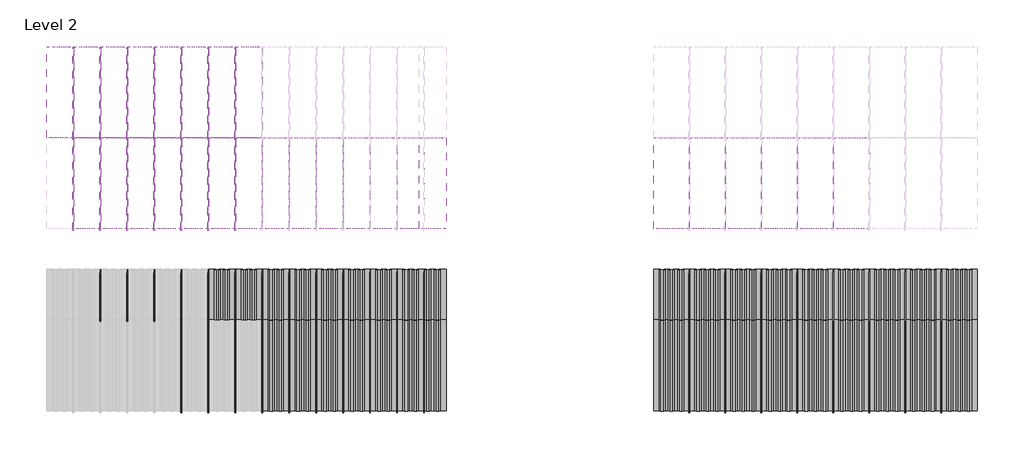
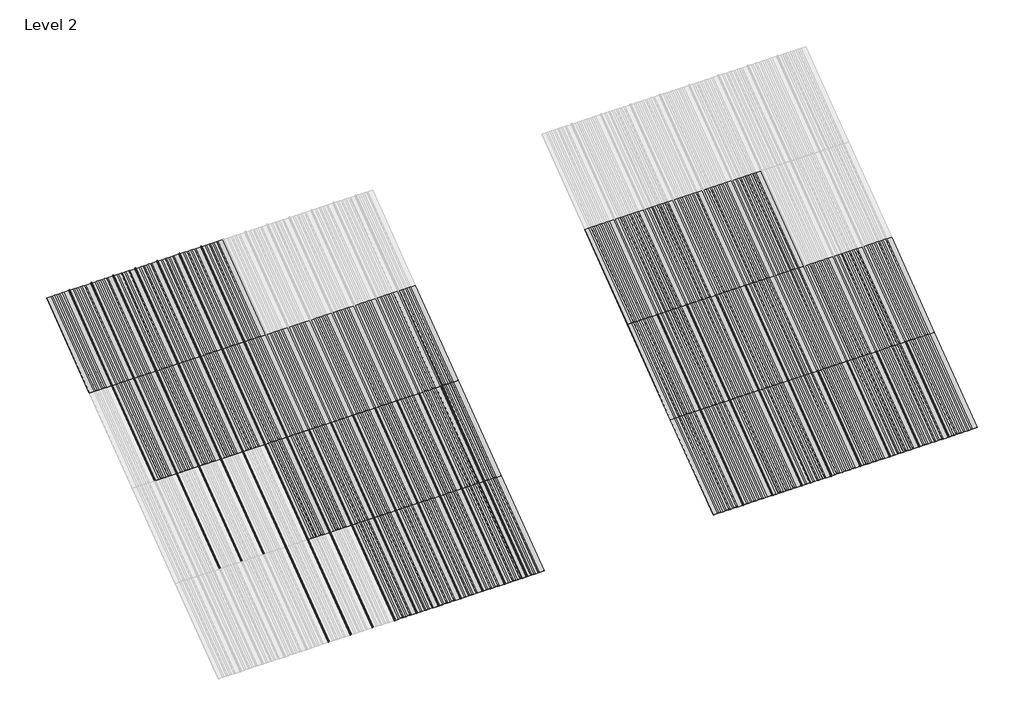
# One storey, part 13 of 113: 62 plates, 49 members.
"""IFC4 building model written with IfcOpenShell, lengths in millimetres."""

import ifcopenshell
import ifcopenshell.guid

model = None  # the IFC model being written
_history = None  # IfcOwnerHistory: only IFC2X3 demands one
_inside = {}  # id of a spatial element -> (the spatial element, [elements in it])
_under = {}  # id of a project, library or spatial element -> (it, [spatial elements below it])
_declared = {}  # id of a project -> (the project, [libraries it declares])
_typed = {}  # id of a type object -> (the type object, [elements of that type])
_made_of = {}  # id of a material, layer set ... -> (it, [elements and type objects made of it])


def new_model(schema):
    """Start an empty IFC model of exactly this schema.

    Asked for "IFC4X3", IfcOpenShell would pick the latest addendum, in which some entities
    have other attributes; the version numbers below select the first issue.
    IFC2X3 requires an IfcOwnerHistory on every rooted entity: one is made here for all.
    """
    global model, _history
    if schema == "IFC4X3":
        model = ifcopenshell.file(schema_version=(4, 3, 0, 0))
    else:
        model = ifcopenshell.file(schema=schema)
    _inside.clear()
    _under.clear()
    _declared.clear()
    _typed.clear()
    _made_of.clear()
    _history = None
    if model.schema == "IFC2X3":
        org = make("IfcOrganization", Name="unknown")
        user = make(
            "IfcPersonAndOrganization",
            ThePerson=make("IfcPerson", FamilyName="unknown"),
            TheOrganization=org,
        )
        app = make(
            "IfcApplication",
            ApplicationDeveloper=org,
            Version="unknown",
            ApplicationFullName="unknown",
            ApplicationIdentifier="unknown",
        )
        _history = make(
            "IfcOwnerHistory",
            OwningUser=user,
            OwningApplication=app,
            ChangeAction="ADDED",
            CreationDate=0,
        )
    return model


def make(cls, **values):
    """One entity of the class cls with the attributes given. An attribute that is None is left unset."""
    return model.create_entity(
        cls, **{name: value for name, value in values.items() if value is not None}
    )


def rooted(cls, **values):
    """An entity with a GlobalId (a new one), such as an element, a storey or a relation."""
    return make(cls, GlobalId=ifcopenshell.guid.new(), OwnerHistory=_history, **values)


def si_unit(unit_type, name, prefix=None):
    """IfcSIUnit, for example si_unit("LENGTHUNIT", "METRE", prefix="MILLI")."""
    return make("IfcSIUnit", UnitType=unit_type, Prefix=prefix, Name=name)


def assignment(units):
    """IfcUnitAssignment: the units of a project."""
    return None if units is None else make("IfcUnitAssignment", Units=units)


def point(xyz):
    """IfcCartesianPoint."""
    return None if xyz is None else make("IfcCartesianPoint", Coordinates=xyz)


def direction(xyz):
    """IfcDirection."""
    return None if xyz is None else make("IfcDirection", DirectionRatios=xyz)


def frame(location, z_axis=None, x_axis=None):
    """IfcAxis2Placement3D, a coordinate frame: its origin and axes. An axis left out is left unset."""
    return make(
        "IfcAxis2Placement3D",
        Location=point(location),
        Axis=direction(z_axis),
        RefDirection=direction(x_axis),
    )


def frame_2d(location, x_axis=None):
    """IfcAxis2Placement2D, a coordinate frame in the plane: its origin and x axis."""
    return make(
        "IfcAxis2Placement2D", Location=point(location), RefDirection=direction(x_axis)
    )


def origin():
    """The frame at (0, 0, 0) with its axes left unset."""
    return frame((0.0, 0.0, 0.0))


def origin_with_axes():
    """The frame at (0, 0, 0) with the z axis (0, 0, 1) and the x axis (1, 0, 0) written out."""
    return frame((0.0, 0.0, 0.0), z_axis=(0.0, 0.0, 1.0), x_axis=(1.0, 0.0, 0.0))


def place(relative_to, where):
    """IfcLocalPlacement: puts the frame where relative to a parent placement (None: the world)."""
    return make(
        "IfcLocalPlacement", PlacementRelTo=relative_to, RelativePlacement=where
    )


def context(
    kind, dimensions, precision=None, world=None, true_north=None, identifier=None
):
    """IfcGeometricRepresentationContext, for example the 3D "Model" context."""
    return make(
        "IfcGeometricRepresentationContext",
        ContextIdentifier=identifier,
        ContextType=kind,
        CoordinateSpaceDimension=dimensions,
        Precision=precision,
        WorldCoordinateSystem=world,
        TrueNorth=true_north,
    )


def project(units=None, contexts=None):
    """IfcProject with its units and contexts."""
    return rooted(
        "IfcProject",
        Name="project",
        RepresentationContexts=contexts,
        UnitsInContext=assignment(units),
    )


def spatial(cls, under=None, at=None, **own):
    """A site, building, storey or space (cls), placed at a placement, below another one or the project."""
    s = rooted(cls, ObjectPlacement=at, **own)
    if under is not None:
        _under.setdefault(under.id(), (under, []))[1].append(s)
    return s


def polyline(points):
    """IfcPolyline through the points."""
    return make("IfcPolyline", Points=[point(p) for p in points])


def circle_curve(where, radius):
    """IfcCircle in the frame where."""
    return make("IfcCircle", Position=where, Radius=radius)


def trimmed(basis, trim1, trim2, sense, master):
    """IfcTrimmedCurve: the piece of a basis curve between two trims."""
    return make(
        "IfcTrimmedCurve",
        BasisCurve=basis,
        Trim1=trim1,
        Trim2=trim2,
        SenseAgreement=sense,
        MasterRepresentation=master,
    )


def segment(curve, same_sense, transition):
    """IfcCompositeCurveSegment."""
    return make(
        "IfcCompositeCurveSegment",
        Transition=transition,
        SameSense=same_sense,
        ParentCurve=curve,
    )


def composite_curve(segments, self_intersect=None):
    """IfcCompositeCurve: segments joined end to end."""
    return make("IfcCompositeCurve", Segments=segments, SelfIntersect=self_intersect)


def outline(outer, holes=None, kind="AREA"):
    """IfcArbitraryClosedProfileDef: a profile drawn as a closed curve; with holes, ...WithVoids."""
    if holes is None:
        return make("IfcArbitraryClosedProfileDef", ProfileType=kind, OuterCurve=outer)
    return make(
        "IfcArbitraryProfileDefWithVoids",
        ProfileType=kind,
        OuterCurve=outer,
        InnerCurves=holes,
    )


def extrude(swept, where, along, depth):
    """IfcExtrudedAreaSolid: the profile swept, set in the frame where, extruded along a direction by depth."""
    return make(
        "IfcExtrudedAreaSolid",
        SweptArea=swept,
        Position=where,
        ExtrudedDirection=direction(along),
        Depth=depth,
    )


def shape(context_of_items, identifier, shape_type, items):
    """IfcShapeRepresentation: the items that make up one representation, for example the "Body"."""
    return make(
        "IfcShapeRepresentation",
        ContextOfItems=context_of_items,
        RepresentationIdentifier=identifier,
        RepresentationType=shape_type,
        Items=items,
    )


def source(mapping_origin, context_of_items, identifier, shape_type, items):
    """IfcRepresentationMap: a shape defined once, which mapped items show again and again."""
    return make(
        "IfcRepresentationMap",
        MappingOrigin=mapping_origin,
        MappedRepresentation=shape(context_of_items, identifier, shape_type, items),
    )


def transform(
    local_origin,
    x_axis=None,
    y_axis=None,
    z_axis=None,
    scale=None,
    scale2=None,
    scale3=None,
    uniform=True,
):
    """IfcCartesianTransformationOperator3D, or its non-uniform kind. x_axis, y_axis, z_axis: its Axis1, 2, 3."""
    if uniform:
        return make(
            "IfcCartesianTransformationOperator3D",
            Axis1=direction(x_axis),
            Axis2=direction(y_axis),
            LocalOrigin=point(local_origin),
            Scale=scale,
            Axis3=direction(z_axis),
        )
    return make(
        "IfcCartesianTransformationOperator3DnonUniform",
        Axis1=direction(x_axis),
        Axis2=direction(y_axis),
        LocalOrigin=point(local_origin),
        Scale=scale,
        Axis3=direction(z_axis),
        Scale2=scale2,
        Scale3=scale3,
    )


def mapped(mapping_source, mapping_target):
    """IfcMappedItem: shows the shape of a source again, moved by a transform."""
    return make(
        "IfcMappedItem", MappingSource=mapping_source, MappingTarget=mapping_target
    )


def made_of(thing, what):
    """Note that an element or type object is made of a material, layer set ...; save() writes the relation."""
    if what is not None:
        _made_of.setdefault(what.id(), (what, []))[1].append(thing)
    return thing


def element(
    cls,
    number,
    at=None,
    inside=None,
    cuts=None,
    type_object=None,
    material=None,
    context=None,
    identifier="Body",
    shape_type=None,
    held_by="IfcProductDefinitionShape",
    body=None,
    shapes=None,
    **own,
):
    """One element of the class cls, such as IfcWall. Its Tag is "e" and its number.

    at: its placement. inside: the storey or other place that contains it. cuts: it is an
    opening in that element (IfcRelVoidsElement). A single representation is given by context,
    identifier, shape_type and body (its items); several are given by shapes. held_by: the class
    of the entity that holds the representations. save() writes the other relations.
    """
    e = rooted(cls, Tag="e%d" % number, ObjectPlacement=at, **own)
    if body is not None:
        shapes = [shape(context, identifier, shape_type, body)]
    if shapes is not None:
        e.Representation = make(held_by, Representations=shapes)
    if inside is not None:
        _inside.setdefault(inside.id(), (inside, []))[1].append(e)
    if cuts is not None:
        rooted(
            "IfcRelVoidsElement", RelatingBuildingElement=cuts, RelatedOpeningElement=e
        )
    if type_object is not None:
        _typed.setdefault(type_object.id(), (type_object, []))[1].append(e)
    return made_of(e, material)


def aggregate(whole, parts):
    """IfcRelAggregates: a whole, such as a stair, and the parts it consists of."""
    return rooted("IfcRelAggregates", RelatingObject=whole, RelatedObjects=parts)


def save(model, path):
    """Write the relations noted so far, then the file.

    IfcRelAggregates (storeys below a building ...), IfcRelContainedInSpatialStructure (elements
    in a storey), IfcRelDefinesByType, IfcRelAssociatesMaterial and IfcRelDeclares: one each for
    every whole, place, type object, material and project.
    """
    for whole, parts in _under.values():
        aggregate(whole, parts)
    for where, things in _inside.values():
        rooted(
            "IfcRelContainedInSpatialStructure",
            RelatedElements=things,
            RelatingStructure=where,
        )
    for kind, things in _typed.values():
        rooted("IfcRelDefinesByType", RelatedObjects=things, RelatingType=kind)
    for what, things in _made_of.values():
        rooted("IfcRelAssociatesMaterial", RelatedObjects=things, RelatingMaterial=what)
    for by, libraries in _declared.values():
        rooted("IfcRelDeclares", RelatingContext=by, RelatedDefinitions=libraries)
    model.write(path)


def rectangular_mullion_fdfbbcc3(model_context):
    return source(origin(), model_context, "Body", "SweptSolid", [
        extrude(outline(composite_curve([segment(polyline([(-1.651, -33.7200875), (-1.651, 0.5953125), (1.778, 0.5953125), (1.778, -36.2600875)]), True, "CONTINUOUS"), segment(trimmed(circle_curve(frame_2d((-0.762, -36.2600875)), 2.54), [point((1.778, -36.2600875))], [point((-0.762, -38.8000875))], False, "CARTESIAN"), True, "CONTINUOUS"), segment(polyline([(-0.762, -38.8000875), (-5.207, -38.8000875)]), True, "CONTINUOUS"), segment(trimmed(circle_curve(frame_2d((-5.207, -36.2600875)), 2.54), [point((-5.207, -38.8000875))], [point((-7.747, -36.2600875))], False, "CARTESIAN"), True, "CONTINUOUS"), segment(polyline([(-7.747, -36.2600875), (-7.747, -26.2270875)]), True, "CONTINUOUS"), segment(trimmed(circle_curve(frame_2d((-5.207, -26.2270875)), 2.54), [point((-7.747, -26.2270875))], [point((-2.667, -26.2270875))], False, "CARTESIAN"), True, "CONTINUOUS"), segment(polyline([(-2.667, -26.2270875), (-2.667, -33.7200875), (-1.651, -33.7200875)]), True, "CONTINUOUS")], self_intersect=False)), frame((0.0, 0.0, -1285.875), z_axis=(0.0, 0.0, 1.0), x_axis=(1.0, 0.0, 0.0)), (0.0, 0.0, 1.0), 1285.875),
    ])


def plate_0_04_aluminium_bb3a9a47(model_context):
    return source(origin(), model_context, "Body", "SweptSolid", [
        extrude(outline(polyline([(-89.30386, 1.016), (-66.80708, -2.53238), (-37.26688, -2.53238), (-14.7701, 0.8128), (14.7701, 0.8128), (37.26688, -2.73558), (66.80708, -2.73558), (89.30386, 0.8128), (152.4, 0.8128), (152.4, 0.0), (89.367567, 0.0), (66.870787, -3.54838), (37.203173, -3.54838), (14.706393, 0.0), (-14.706393, 0.0), (-37.203173, -3.54838), (-66.870787, -3.54838), (-89.367567, 0.0), (-152.4, 0.0), (-152.4, 1.016), (-89.30386, 1.016)])), origin_with_axes(), (0.0, 0.0, 1.0), 1285.875),
    ])


def plate_0_04_aluminium_daa6f1c7(model_context):
    return source(origin(), model_context, "Body", "SweptSolid", [
        extrude(outline(polyline([(-142.9284294, 1.016), (-120.4316494, -2.53238), (-90.8914494, -2.53238), (-68.3946694, 0.8128), (-38.8544694, 0.8128), (-14.7701, -2.73558), (14.7701, -2.73558), (37.26688, 0.8128), (66.80708, 0.8128), (89.30386, -2.73558), (118.84406, -2.73558), (141.34084, 0.8128), (203.2, 0.8128), (203.2, 0.0), (141.404547, 0.0), (118.907767, -3.54838), (89.240153, -3.54838), (66.743373, 0.0), (37.330587, 0.0), (14.833807, -3.54838), (-14.833807, -3.54838), (-38.9181764, 0.0), (-68.3309624, 0.0), (-90.8277424, -3.54838), (-120.4953564, -3.54838), (-142.9921364, 0.0), (-203.2, 0.0), (-203.2, 1.016), (-142.9284294, 1.016)])), origin_with_axes(), (0.0, 0.0, 1.0), 1285.875),
    ])


model = new_model("IFC4")

# Units and contexts
model_context = context("Model", 3, world=origin())
ifc_project = project(units=[si_unit("LENGTHUNIT", "METRE", prefix="MILLI")], contexts=[model_context])

# Site, building, storey
site = spatial("IfcSite", under=ifc_project)
building = spatial("IfcBuilding", under=site)
storey = spatial("IfcBuildingStorey", under=building, Name="Level 2", Elevation=3048.0)

# Members
placement = place(None, origin())
rectangular_mullion_shape = rectangular_mullion_fdfbbcc3(model_context)
element("IfcMember", 1, ObjectType="Rectangular Mullion", at=placement, inside=storey, context=model_context, shape_type="MappedRepresentation", body=[
    mapped(rectangular_mullion_shape, transform((21898.9538419, 45666.1874364, 6134.1), x_axis=(1.0, 0.0, 0.0), y_axis=(0.0, 0.5999999999999946, -0.800000000000004), z_axis=(0.0, 0.800000000000004, 0.5999999999999946))),
])
element("IfcMember", 2, ObjectType="Rectangular Mullion", at=placement, inside=storey, context=model_context, shape_type="MappedRepresentation", body=[
    mapped(rectangular_mullion_shape, transform((22203.7538419, 45666.1874364, 6134.1), x_axis=(1.0, 0.0, 0.0), y_axis=(0.0, 0.5999999999999946, -0.800000000000004), z_axis=(0.0, 0.800000000000004, 0.5999999999999946))),
])
element("IfcMember", 3, ObjectType="Rectangular Mullion", at=placement, inside=storey, context=model_context, shape_type="MappedRepresentation", body=[
    mapped(rectangular_mullion_shape, transform((22508.5538419, 45666.1874364, 6134.1), x_axis=(1.0, 0.0, 0.0), y_axis=(0.0, 0.5999999999999946, -0.800000000000004), z_axis=(0.0, 0.800000000000004, 0.5999999999999946))),
])
element("IfcMember", 4, ObjectType="Rectangular Mullion", at=placement, inside=storey, context=model_context, shape_type="MappedRepresentation", body=[
    mapped(rectangular_mullion_shape, transform((22813.3538419, 45666.1874364, 6134.1), x_axis=(1.0, 0.0, 0.0), y_axis=(0.0, 0.5999999999999946, -0.800000000000004), z_axis=(0.0, 0.800000000000004, 0.5999999999999946))),
])
element("IfcMember", 5, ObjectType="Rectangular Mullion", at=placement, inside=storey, context=model_context, shape_type="MappedRepresentation", body=[
    mapped(rectangular_mullion_shape, transform((23118.1538419, 45666.1874364, 6134.1), x_axis=(1.0, 0.0, 0.0), y_axis=(0.0, 0.5999999999999946, -0.800000000000004), z_axis=(0.0, 0.800000000000004, 0.5999999999999946))),
])
element("IfcMember", 6, ObjectType="Rectangular Mullion", at=placement, inside=storey, context=model_context, shape_type="MappedRepresentation", body=[
    mapped(rectangular_mullion_shape, transform((23422.9538419, 45666.1874364, 6134.1), x_axis=(1.0, 0.0, 0.0), y_axis=(0.0, 0.5999999999999946, -0.800000000000004), z_axis=(0.0, 0.800000000000004, 0.5999999999999946))),
])
element("IfcMember", 7, ObjectType="Rectangular Mullion", at=placement, inside=storey, context=model_context, shape_type="MappedRepresentation", body=[
    mapped(rectangular_mullion_shape, transform((23727.7538419, 45666.1874364, 6134.1), x_axis=(1.0, 0.0, 0.0), y_axis=(0.0, 0.5999999999999946, -0.800000000000004), z_axis=(0.0, 0.800000000000004, 0.5999999999999946))),
])
element("IfcMember", 8, ObjectType="Rectangular Mullion", at=placement, inside=storey, context=model_context, shape_type="MappedRepresentation", body=[
    mapped(rectangular_mullion_shape, transform((23118.1538419, 42580.0874364, 3819.525), x_axis=(1.0, 0.0, 0.0), y_axis=(0.0, 0.5999999999999939, -0.8000000000000047), z_axis=(0.0, 0.8000000000000047, 0.5999999999999939))),
])
element("IfcMember", 9, ObjectType="Rectangular Mullion", at=placement, inside=storey, context=model_context, shape_type="MappedRepresentation", body=[
    mapped(rectangular_mullion_shape, transform((23422.9538419, 42580.0874364, 3819.525), x_axis=(1.0, 0.0, 0.0), y_axis=(0.0, 0.5999999999999939, -0.8000000000000047), z_axis=(0.0, 0.8000000000000047, 0.5999999999999939))),
])
element("IfcMember", 10, ObjectType="Rectangular Mullion", at=placement, inside=storey, context=model_context, shape_type="MappedRepresentation", body=[
    mapped(rectangular_mullion_shape, transform((23727.7538419, 42580.0874364, 3819.525), x_axis=(1.0, 0.0, 0.0), y_axis=(0.0, 0.5999999999999939, -0.8000000000000047), z_axis=(0.0, 0.8000000000000047, 0.5999999999999939))),
])
element("IfcMember", 11, ObjectType="Rectangular Mullion", at=placement, inside=storey, context=model_context, shape_type="MappedRepresentation", body=[
    mapped(rectangular_mullion_shape, transform((24032.5538419, 42580.0874364, 3819.525), x_axis=(1.0, 0.0, 0.0), y_axis=(0.0, 0.5999999999999939, -0.8000000000000047), z_axis=(0.0, 0.8000000000000047, 0.5999999999999939))),
])
element("IfcMember", 12, ObjectType="Rectangular Mullion", at=placement, inside=storey, context=model_context, shape_type="MappedRepresentation", body=[
    mapped(rectangular_mullion_shape, transform((24337.3538419, 42580.0874364, 3819.525), x_axis=(1.0, 0.0, 0.0), y_axis=(0.0, 0.5999999999999939, -0.8000000000000047), z_axis=(0.0, 0.8000000000000047, 0.5999999999999939))),
])
element("IfcMember", 13, ObjectType="Rectangular Mullion", at=placement, inside=storey, context=model_context, shape_type="MappedRepresentation", body=[
    mapped(rectangular_mullion_shape, transform((24642.1538419, 42580.0874364, 3819.525), x_axis=(1.0, 0.0, 0.0), y_axis=(0.0, 0.5999999999999939, -0.8000000000000047), z_axis=(0.0, 0.8000000000000047, 0.5999999999999939))),
])
element("IfcMember", 14, ObjectType="Rectangular Mullion", at=placement, inside=storey, context=model_context, shape_type="MappedRepresentation", body=[
    mapped(rectangular_mullion_shape, transform((28858.5538419, 42580.0874364, 3819.525), x_axis=(1.0, 0.0, 0.0), y_axis=(0.0, 0.5999999999999939, -0.8000000000000047), z_axis=(0.0, 0.8000000000000047, 0.5999999999999939))),
])
element("IfcMember", 15, ObjectType="Rectangular Mullion", at=placement, inside=storey, context=model_context, shape_type="MappedRepresentation", body=[
    mapped(rectangular_mullion_shape, transform((29264.9538419, 42580.0874364, 3819.525), x_axis=(1.0, 0.0, 0.0), y_axis=(0.0, 0.5999999999999939, -0.8000000000000047), z_axis=(0.0, 0.8000000000000047, 0.5999999999999939))),
])
element("IfcMember", 16, ObjectType="Rectangular Mullion", at=placement, inside=storey, context=model_context, shape_type="MappedRepresentation", body=[
    mapped(rectangular_mullion_shape, transform((29671.3538419, 42580.0874364, 3819.525), x_axis=(1.0, 0.0, 0.0), y_axis=(0.0, 0.5999999999999939, -0.8000000000000047), z_axis=(0.0, 0.8000000000000047, 0.5999999999999939))),
])
element("IfcMember", 17, ObjectType="Rectangular Mullion", at=placement, inside=storey, context=model_context, shape_type="MappedRepresentation", body=[
    mapped(rectangular_mullion_shape, transform((30077.7538419, 42580.0874364, 3819.525), x_axis=(1.0, 0.0, 0.0), y_axis=(0.0, 0.5999999999999939, -0.8000000000000047), z_axis=(0.0, 0.8000000000000047, 0.5999999999999939))),
])
element("IfcMember", 18, ObjectType="Rectangular Mullion", at=placement, inside=storey, context=model_context, shape_type="MappedRepresentation", body=[
    mapped(rectangular_mullion_shape, transform((30484.1538419, 42580.0874364, 3819.525), x_axis=(1.0, 0.0, 0.0), y_axis=(0.0, 0.5999999999999939, -0.8000000000000047), z_axis=(0.0, 0.8000000000000047, 0.5999999999999939))),
])
element("IfcMember", 19, ObjectType="Rectangular Mullion", at=placement, inside=storey, context=model_context, shape_type="MappedRepresentation", body=[
    mapped(rectangular_mullion_shape, transform((30890.5538419, 42580.0874364, 3819.525), x_axis=(1.0, 0.0, 0.0), y_axis=(0.0, 0.5999999999999939, -0.8000000000000047), z_axis=(0.0, 0.8000000000000047, 0.5999999999999939))),
])
element("IfcMember", 20, ObjectType="Rectangular Mullion", at=placement, inside=storey, context=model_context, shape_type="MappedRepresentation", body=[
    mapped(rectangular_mullion_shape, transform((31296.9538419, 42580.0874364, 3819.525), x_axis=(1.0, 0.0, 0.0), y_axis=(0.0, 0.5999999999999939, -0.8000000000000047), z_axis=(0.0, 0.8000000000000047, 0.5999999999999939))),
])
element("IfcMember", 21, ObjectType="Rectangular Mullion", at=placement, inside=storey, context=model_context, shape_type="MappedRepresentation", body=[
    mapped(rectangular_mullion_shape, transform((31703.3538419, 42580.0874364, 3819.525), x_axis=(1.0, 0.0, 0.0), y_axis=(0.0, 0.5999999999999939, -0.8000000000000047), z_axis=(0.0, 0.8000000000000047, 0.5999999999999939))),
])
element("IfcMember", 22, ObjectType="Rectangular Mullion", at=placement, inside=storey, context=model_context, shape_type="MappedRepresentation", body=[
    mapped(rectangular_mullion_shape, transform((24946.9538419, 42580.0874364, 3819.525), x_axis=(1.0, 0.0, 0.0), y_axis=(0.0, 0.5999999999999939, -0.8000000000000047), z_axis=(0.0, 0.8000000000000047, 0.5999999999999939))),
])
element("IfcMember", 23, ObjectType="Rectangular Mullion", at=placement, inside=storey, context=model_context, shape_type="MappedRepresentation", body=[
    mapped(rectangular_mullion_shape, transform((25251.7538419, 42580.0874364, 3819.525), x_axis=(1.0, 0.0, 0.0), y_axis=(0.0, 0.5999999999999939, -0.8000000000000047), z_axis=(0.0, 0.8000000000000047, 0.5999999999999939))),
])
element("IfcMember", 24, ObjectType="Rectangular Mullion", at=placement, inside=storey, context=model_context, shape_type="MappedRepresentation", body=[
    mapped(rectangular_mullion_shape, transform((25556.5538419, 42580.0874364, 3819.525), x_axis=(1.0, 0.0, 0.0), y_axis=(0.0, 0.5999999999999939, -0.8000000000000047), z_axis=(0.0, 0.8000000000000047, 0.5999999999999939))),
])
element("IfcMember", 25, ObjectType="Rectangular Mullion", at=placement, inside=storey, context=model_context, shape_type="MappedRepresentation", body=[
    mapped(rectangular_mullion_shape, transform((25861.3538419, 42580.0874364, 3819.525), x_axis=(1.0, 0.0, 0.0), y_axis=(0.0, 0.5999999999999939, -0.8000000000000047), z_axis=(0.0, 0.8000000000000047, 0.5999999999999939))),
])
element("IfcMember", 26, ObjectType="Rectangular Mullion", at=placement, inside=storey, context=model_context, shape_type="MappedRepresentation", body=[
    mapped(rectangular_mullion_shape, transform((22203.7538419, 43608.7874364, 4591.05), x_axis=(1.0, 0.0, 0.0), y_axis=(0.0, 0.5999999999999952, -0.8000000000000037), z_axis=(0.0, 0.8000000000000037, 0.5999999999999952))),
])
element("IfcMember", 27, ObjectType="Rectangular Mullion", at=placement, inside=storey, context=model_context, shape_type="MappedRepresentation", body=[
    mapped(rectangular_mullion_shape, transform((21898.9538419, 44637.4874364, 5362.575), x_axis=(1.0, 0.0, 0.0), y_axis=(0.0, 0.5999999999999941, -0.8000000000000045), z_axis=(0.0, 0.8000000000000044, 0.599999999999994))),
])
element("IfcMember", 28, ObjectType="Rectangular Mullion", at=placement, inside=storey, context=model_context, shape_type="MappedRepresentation", body=[
    mapped(rectangular_mullion_shape, transform((22203.7538419, 44637.4874364, 5362.575), x_axis=(1.0, 0.0, 0.0), y_axis=(0.0, 0.5999999999999941, -0.8000000000000045), z_axis=(0.0, 0.8000000000000044, 0.599999999999994))),
])
element("IfcMember", 29, ObjectType="Rectangular Mullion", at=placement, inside=storey, context=model_context, shape_type="MappedRepresentation", body=[
    mapped(rectangular_mullion_shape, transform((22508.5538419, 43608.7874364, 4591.05), x_axis=(1.0, 0.0, 0.0), y_axis=(0.0, 0.5999999999999952, -0.8000000000000037), z_axis=(0.0, 0.8000000000000037, 0.5999999999999952))),
])
element("IfcMember", 30, ObjectType="Rectangular Mullion", at=placement, inside=storey, context=model_context, shape_type="MappedRepresentation", body=[
    mapped(rectangular_mullion_shape, transform((22813.3538419, 43608.7874364, 4591.05), x_axis=(1.0, 0.0, 0.0), y_axis=(0.0, 0.5999999999999952, -0.8000000000000037), z_axis=(0.0, 0.8000000000000037, 0.5999999999999952))),
])
element("IfcMember", 31, ObjectType="Rectangular Mullion", at=placement, inside=storey, context=model_context, shape_type="MappedRepresentation", body=[
    mapped(rectangular_mullion_shape, transform((23118.1538419, 43608.7874364, 4591.05), x_axis=(1.0, 0.0, 0.0), y_axis=(0.0, 0.5999999999999952, -0.8000000000000037), z_axis=(0.0, 0.8000000000000037, 0.5999999999999952))),
])
element("IfcMember", 32, ObjectType="Rectangular Mullion", at=placement, inside=storey, context=model_context, shape_type="MappedRepresentation", body=[
    mapped(rectangular_mullion_shape, transform((23422.9538419, 43608.7874364, 4591.05), x_axis=(1.0, 0.0, 0.0), y_axis=(0.0, 0.5999999999999952, -0.8000000000000037), z_axis=(0.0, 0.8000000000000037, 0.5999999999999952))),
])
element("IfcMember", 33, ObjectType="Rectangular Mullion", at=placement, inside=storey, context=model_context, shape_type="MappedRepresentation", body=[
    mapped(rectangular_mullion_shape, transform((23727.7538419, 43608.7874364, 4591.05), x_axis=(1.0, 0.0, 0.0), y_axis=(0.0, 0.5999999999999952, -0.8000000000000037), z_axis=(0.0, 0.8000000000000037, 0.5999999999999952))),
])
element("IfcMember", 34, ObjectType="Rectangular Mullion", at=placement, inside=storey, context=model_context, shape_type="MappedRepresentation", body=[
    mapped(rectangular_mullion_shape, transform((24032.5538419, 43608.7874364, 4591.05), x_axis=(1.0, 0.0, 0.0), y_axis=(0.0, 0.5999999999999952, -0.8000000000000037), z_axis=(0.0, 0.8000000000000037, 0.5999999999999952))),
])
element("IfcMember", 35, ObjectType="Rectangular Mullion", at=placement, inside=storey, context=model_context, shape_type="MappedRepresentation", body=[
    mapped(rectangular_mullion_shape, transform((24337.3538419, 43608.7874364, 4591.05), x_axis=(1.0, 0.0, 0.0), y_axis=(0.0, 0.5999999999999952, -0.8000000000000037), z_axis=(0.0, 0.8000000000000037, 0.5999999999999952))),
])
element("IfcMember", 36, ObjectType="Rectangular Mullion", at=placement, inside=storey, context=model_context, shape_type="MappedRepresentation", body=[
    mapped(rectangular_mullion_shape, transform((24642.1538419, 43608.7874364, 4591.05), x_axis=(1.0, 0.0, 0.0), y_axis=(0.0, 0.5999999999999952, -0.8000000000000037), z_axis=(0.0, 0.8000000000000037, 0.5999999999999952))),
])
element("IfcMember", 37, ObjectType="Rectangular Mullion", at=placement, inside=storey, context=model_context, shape_type="MappedRepresentation", body=[
    mapped(rectangular_mullion_shape, transform((22508.5538419, 44637.4874364, 5362.575), x_axis=(1.0, 0.0, 0.0), y_axis=(0.0, 0.5999999999999941, -0.8000000000000045), z_axis=(0.0, 0.8000000000000044, 0.599999999999994))),
])
element("IfcMember", 38, ObjectType="Rectangular Mullion", at=placement, inside=storey, context=model_context, shape_type="MappedRepresentation", body=[
    mapped(rectangular_mullion_shape, transform((22813.3538419, 44637.4874364, 5362.575), x_axis=(1.0, 0.0, 0.0), y_axis=(0.0, 0.5999999999999941, -0.8000000000000045), z_axis=(0.0, 0.8000000000000044, 0.599999999999994))),
])
element("IfcMember", 39, ObjectType="Rectangular Mullion", at=placement, inside=storey, context=model_context, shape_type="MappedRepresentation", body=[
    mapped(rectangular_mullion_shape, transform((23118.1538419, 44637.4874364, 5362.575), x_axis=(1.0, 0.0, 0.0), y_axis=(0.0, 0.5999999999999941, -0.8000000000000045), z_axis=(0.0, 0.8000000000000044, 0.599999999999994))),
])
element("IfcMember", 40, ObjectType="Rectangular Mullion", at=placement, inside=storey, context=model_context, shape_type="MappedRepresentation", body=[
    mapped(rectangular_mullion_shape, transform((23422.9538419, 44637.4874364, 5362.575), x_axis=(1.0, 0.0, 0.0), y_axis=(0.0, 0.5999999999999941, -0.8000000000000045), z_axis=(0.0, 0.8000000000000044, 0.599999999999994))),
])
element("IfcMember", 41, ObjectType="Rectangular Mullion", at=placement, inside=storey, context=model_context, shape_type="MappedRepresentation", body=[
    mapped(rectangular_mullion_shape, transform((23727.7538419, 44637.4874364, 5362.575), x_axis=(1.0, 0.0, 0.0), y_axis=(0.0, 0.5999999999999941, -0.8000000000000045), z_axis=(0.0, 0.8000000000000044, 0.599999999999994))),
])
element("IfcMember", 42, ObjectType="Rectangular Mullion", at=placement, inside=storey, context=model_context, shape_type="MappedRepresentation", body=[
    mapped(rectangular_mullion_shape, transform((28858.5538419, 43608.7874364, 4591.05), x_axis=(1.0, 0.0, 0.0), y_axis=(0.0, 0.5999999999999952, -0.8000000000000037), z_axis=(0.0, 0.8000000000000037, 0.5999999999999952))),
])
element("IfcMember", 43, ObjectType="Rectangular Mullion", at=placement, inside=storey, context=model_context, shape_type="MappedRepresentation", body=[
    mapped(rectangular_mullion_shape, transform((29264.9538419, 43608.7874364, 4591.05), x_axis=(1.0, 0.0, 0.0), y_axis=(0.0, 0.5999999999999952, -0.8000000000000037), z_axis=(0.0, 0.8000000000000037, 0.5999999999999952))),
])
element("IfcMember", 44, ObjectType="Rectangular Mullion", at=placement, inside=storey, context=model_context, shape_type="MappedRepresentation", body=[
    mapped(rectangular_mullion_shape, transform((29671.3538419, 43608.7874364, 4591.05), x_axis=(1.0, 0.0, 0.0), y_axis=(0.0, 0.5999999999999952, -0.8000000000000037), z_axis=(0.0, 0.8000000000000037, 0.5999999999999952))),
])
element("IfcMember", 45, ObjectType="Rectangular Mullion", at=placement, inside=storey, context=model_context, shape_type="MappedRepresentation", body=[
    mapped(rectangular_mullion_shape, transform((30077.7538419, 43608.7874364, 4591.05), x_axis=(1.0, 0.0, 0.0), y_axis=(0.0, 0.5999999999999952, -0.8000000000000037), z_axis=(0.0, 0.8000000000000037, 0.5999999999999952))),
])
element("IfcMember", 46, ObjectType="Rectangular Mullion", at=placement, inside=storey, context=model_context, shape_type="MappedRepresentation", body=[
    mapped(rectangular_mullion_shape, transform((24946.9538419, 43608.7874364, 4591.05), x_axis=(1.0, 0.0, 0.0), y_axis=(0.0, 0.5999999999999952, -0.8000000000000037), z_axis=(0.0, 0.8000000000000037, 0.5999999999999952))),
])
element("IfcMember", 47, ObjectType="Rectangular Mullion", at=placement, inside=storey, context=model_context, shape_type="MappedRepresentation", body=[
    mapped(rectangular_mullion_shape, transform((25251.7538419, 43608.7874364, 4591.05), x_axis=(1.0, 0.0, 0.0), y_axis=(0.0, 0.5999999999999952, -0.8000000000000037), z_axis=(0.0, 0.8000000000000037, 0.5999999999999952))),
])
element("IfcMember", 48, ObjectType="Rectangular Mullion", at=placement, inside=storey, context=model_context, shape_type="MappedRepresentation", body=[
    mapped(rectangular_mullion_shape, transform((25556.5538419, 43608.7874364, 4591.05), x_axis=(1.0, 0.0, 0.0), y_axis=(0.0, 0.5999999999999952, -0.8000000000000037), z_axis=(0.0, 0.8000000000000037, 0.5999999999999952))),
])
element("IfcMember", 49, ObjectType="Rectangular Mullion", at=placement, inside=storey, context=model_context, shape_type="MappedRepresentation", body=[
    mapped(rectangular_mullion_shape, transform((25861.3538419, 43608.7874364, 4591.05), x_axis=(1.0, 0.0, 0.0), y_axis=(0.0, 0.5999999999999952, -0.8000000000000037), z_axis=(0.0, 0.8000000000000037, 0.5999999999999952))),
])

# Plates
plate_0_04_aluminium_shape = plate_0_04_aluminium_bb3a9a47(model_context)
element("IfcPlate", 50, ObjectType="0.04 Aluminium", at=placement, inside=storey, context=model_context, shape_type="MappedRepresentation", body=[
    mapped(plate_0_04_aluminium_shape, transform((21746.5538417, 44637.4874364, 5362.575), x_axis=(1.0, 0.0, 0.0), y_axis=(0.0, 0.5999999999999943, -0.8000000000000043), z_axis=(0.0, 0.8000000000000043, 0.5999999999999943))),
])
element("IfcPlate", 51, ObjectType="0.04 Aluminium", at=placement, inside=storey, context=model_context, shape_type="MappedRepresentation", body=[
    mapped(plate_0_04_aluminium_shape, transform((22051.4173419, 43608.7874364, 4591.05), x_axis=(1.0, 0.0, 0.0), y_axis=(0.0, 0.5999999999999943, -0.8000000000000043), z_axis=(0.0, 0.8000000000000043, 0.5999999999999943))),
])
element("IfcPlate", 52, ObjectType="0.04 Aluminium", at=placement, inside=storey, context=model_context, shape_type="MappedRepresentation", body=[
    mapped(plate_0_04_aluminium_shape, transform((22356.2173419, 43608.7874364, 4591.05), x_axis=(1.0, 0.0, 0.0), y_axis=(0.0, 0.5999999999999943, -0.8000000000000043), z_axis=(0.0, 0.8000000000000043, 0.5999999999999943))),
])
element("IfcPlate", 53, ObjectType="0.04 Aluminium", at=placement, inside=storey, context=model_context, shape_type="MappedRepresentation", body=[
    mapped(plate_0_04_aluminium_shape, transform((22051.4173419, 44637.4874364, 5362.575), x_axis=(1.0, 0.0, 0.0), y_axis=(0.0, 0.5999999999999943, -0.8000000000000043), z_axis=(0.0, 0.8000000000000043, 0.5999999999999943))),
])
element("IfcPlate", 54, ObjectType="0.04 Aluminium", at=placement, inside=storey, context=model_context, shape_type="MappedRepresentation", body=[
    mapped(plate_0_04_aluminium_shape, transform((22356.2173419, 44637.4874364, 5362.575), x_axis=(1.0, 0.0, 0.0), y_axis=(0.0, 0.5999999999999943, -0.8000000000000043), z_axis=(0.0, 0.8000000000000043, 0.5999999999999943))),
])
element("IfcPlate", 55, ObjectType="0.04 Aluminium", at=placement, inside=storey, context=model_context, shape_type="MappedRepresentation", body=[
    mapped(plate_0_04_aluminium_shape, transform((22661.0173419, 43608.7874364, 4591.05), x_axis=(1.0, 0.0, 0.0), y_axis=(0.0, 0.5999999999999943, -0.8000000000000043), z_axis=(0.0, 0.8000000000000043, 0.5999999999999943))),
])
element("IfcPlate", 56, ObjectType="0.04 Aluminium", at=placement, inside=storey, context=model_context, shape_type="MappedRepresentation", body=[
    mapped(plate_0_04_aluminium_shape, transform((22661.0173419, 44637.4874364, 5362.575), x_axis=(1.0, 0.0, 0.0), y_axis=(0.0, 0.5999999999999943, -0.8000000000000043), z_axis=(0.0, 0.8000000000000043, 0.5999999999999943))),
])
element("IfcPlate", 57, ObjectType="0.04 Aluminium", at=placement, inside=storey, context=model_context, shape_type="MappedRepresentation", body=[
    mapped(plate_0_04_aluminium_shape, transform((22965.8173419, 43608.7874364, 4591.05), x_axis=(1.0, 0.0, 0.0), y_axis=(0.0, 0.5999999999999943, -0.8000000000000043), z_axis=(0.0, 0.8000000000000043, 0.5999999999999943))),
])
element("IfcPlate", 58, ObjectType="0.04 Aluminium", at=placement, inside=storey, context=model_context, shape_type="MappedRepresentation", body=[
    mapped(plate_0_04_aluminium_shape, transform((22965.8173419, 44637.4874364, 5362.575), x_axis=(1.0, 0.0, 0.0), y_axis=(0.0, 0.5999999999999943, -0.8000000000000043), z_axis=(0.0, 0.8000000000000043, 0.5999999999999943))),
])
element("IfcPlate", 59, ObjectType="0.04 Aluminium", at=placement, inside=storey, context=model_context, shape_type="MappedRepresentation", body=[
    mapped(plate_0_04_aluminium_shape, transform((23270.6173419, 43608.7874364, 4591.05), x_axis=(1.0, 0.0, 0.0), y_axis=(0.0, 0.5999999999999943, -0.8000000000000043), z_axis=(0.0, 0.8000000000000043, 0.5999999999999943))),
])
element("IfcPlate", 60, ObjectType="0.04 Aluminium", at=placement, inside=storey, context=model_context, shape_type="MappedRepresentation", body=[
    mapped(plate_0_04_aluminium_shape, transform((23270.6173419, 44637.4874364, 5362.575), x_axis=(1.0, 0.0, 0.0), y_axis=(0.0, 0.5999999999999943, -0.8000000000000043), z_axis=(0.0, 0.8000000000000043, 0.5999999999999943))),
])
element("IfcPlate", 61, ObjectType="0.04 Aluminium", at=placement, inside=storey, context=model_context, shape_type="MappedRepresentation", body=[
    mapped(plate_0_04_aluminium_shape, transform((23575.4173419, 42580.0874364, 3819.525), x_axis=(1.0, 0.0, 0.0), y_axis=(0.0, 0.5999999999999943, -0.8000000000000043), z_axis=(0.0, 0.8000000000000043, 0.5999999999999943))),
])
element("IfcPlate", 62, ObjectType="0.04 Aluminium", at=placement, inside=storey, context=model_context, shape_type="MappedRepresentation", body=[
    mapped(plate_0_04_aluminium_shape, transform((23575.4173419, 43608.7874364, 4591.05), x_axis=(1.0, 0.0, 0.0), y_axis=(0.0, 0.5999999999999943, -0.8000000000000043), z_axis=(0.0, 0.8000000000000043, 0.5999999999999943))),
])
element("IfcPlate", 63, ObjectType="0.04 Aluminium", at=placement, inside=storey, context=model_context, shape_type="MappedRepresentation", body=[
    mapped(plate_0_04_aluminium_shape, transform((23575.4173419, 44637.4874364, 5362.575), x_axis=(1.0, 0.0, 0.0), y_axis=(0.0, 0.5999999999999943, -0.8000000000000043), z_axis=(0.0, 0.8000000000000043, 0.5999999999999943))),
])
element("IfcPlate", 64, ObjectType="0.04 Aluminium", at=placement, inside=storey, context=model_context, shape_type="MappedRepresentation", body=[
    mapped(plate_0_04_aluminium_shape, transform((23880.2173419, 42580.0874364, 3819.525), x_axis=(1.0, 0.0, 0.0), y_axis=(0.0, 0.5999999999999943, -0.8000000000000043), z_axis=(0.0, 0.8000000000000043, 0.5999999999999943))),
])
element("IfcPlate", 65, ObjectType="0.04 Aluminium", at=placement, inside=storey, context=model_context, shape_type="MappedRepresentation", body=[
    mapped(plate_0_04_aluminium_shape, transform((23880.2173419, 43608.7874364, 4591.05), x_axis=(1.0, 0.0, 0.0), y_axis=(0.0, 0.5999999999999943, -0.8000000000000043), z_axis=(0.0, 0.8000000000000043, 0.5999999999999943))),
])
element("IfcPlate", 66, ObjectType="0.04 Aluminium", at=placement, inside=storey, context=model_context, shape_type="MappedRepresentation", body=[
    mapped(plate_0_04_aluminium_shape, transform((23880.2173419, 44637.4874364, 5362.575), x_axis=(1.0, 0.0, 0.0), y_axis=(0.0, 0.5999999999999943, -0.8000000000000043), z_axis=(0.0, 0.8000000000000043, 0.5999999999999943))),
])
element("IfcPlate", 67, ObjectType="0.04 Aluminium", at=placement, inside=storey, context=model_context, shape_type="MappedRepresentation", body=[
    mapped(plate_0_04_aluminium_shape, transform((24185.0173419, 41551.3874364, 3048.0), x_axis=(1.0, 0.0, 0.0), y_axis=(0.0, 0.5999999999999943, -0.8000000000000043), z_axis=(0.0, 0.8000000000000043, 0.5999999999999943))),
])
element("IfcPlate", 68, ObjectType="0.04 Aluminium", at=placement, inside=storey, context=model_context, shape_type="MappedRepresentation", body=[
    mapped(plate_0_04_aluminium_shape, transform((24185.0173419, 42580.0874364, 3819.525), x_axis=(1.0, 0.0, 0.0), y_axis=(0.0, 0.5999999999999943, -0.8000000000000043), z_axis=(0.0, 0.8000000000000043, 0.5999999999999943))),
])
element("IfcPlate", 69, ObjectType="0.04 Aluminium", at=placement, inside=storey, context=model_context, shape_type="MappedRepresentation", body=[
    mapped(plate_0_04_aluminium_shape, transform((24185.0173419, 43608.7874364, 4591.05), x_axis=(1.0, 0.0, 0.0), y_axis=(0.0, 0.5999999999999943, -0.8000000000000043), z_axis=(0.0, 0.8000000000000043, 0.5999999999999943))),
])
element("IfcPlate", 70, ObjectType="0.04 Aluminium", at=placement, inside=storey, context=model_context, shape_type="MappedRepresentation", body=[
    mapped(plate_0_04_aluminium_shape, transform((24489.8173419, 41551.3874364, 3048.0), x_axis=(1.0, 0.0, 0.0), y_axis=(0.0, 0.5999999999999943, -0.8000000000000043), z_axis=(0.0, 0.8000000000000043, 0.5999999999999943))),
])
element("IfcPlate", 71, ObjectType="0.04 Aluminium", at=placement, inside=storey, context=model_context, shape_type="MappedRepresentation", body=[
    mapped(plate_0_04_aluminium_shape, transform((24489.8173419, 42580.0874364, 3819.525), x_axis=(1.0, 0.0, 0.0), y_axis=(0.0, 0.5999999999999943, -0.8000000000000043), z_axis=(0.0, 0.8000000000000043, 0.5999999999999943))),
])
element("IfcPlate", 72, ObjectType="0.04 Aluminium", at=placement, inside=storey, context=model_context, shape_type="MappedRepresentation", body=[
    mapped(plate_0_04_aluminium_shape, transform((24489.8173419, 43608.7874364, 4591.05), x_axis=(1.0, 0.0, 0.0), y_axis=(0.0, 0.5999999999999943, -0.8000000000000043), z_axis=(0.0, 0.8000000000000043, 0.5999999999999943))),
])
element("IfcPlate", 73, ObjectType="0.04 Aluminium", at=placement, inside=storey, context=model_context, shape_type="MappedRepresentation", body=[
    mapped(plate_0_04_aluminium_shape, transform((24794.6173419, 41551.3874364, 3048.0), x_axis=(1.0, 0.0, 0.0), y_axis=(0.0, 0.5999999999999943, -0.8000000000000043), z_axis=(0.0, 0.8000000000000043, 0.5999999999999943))),
])
element("IfcPlate", 74, ObjectType="0.04 Aluminium", at=placement, inside=storey, context=model_context, shape_type="MappedRepresentation", body=[
    mapped(plate_0_04_aluminium_shape, transform((24794.6173419, 42580.0874364, 3819.525), x_axis=(1.0, 0.0, 0.0), y_axis=(0.0, 0.5999999999999943, -0.8000000000000043), z_axis=(0.0, 0.8000000000000043, 0.5999999999999943))),
])
element("IfcPlate", 75, ObjectType="0.04 Aluminium", at=placement, inside=storey, context=model_context, shape_type="MappedRepresentation", body=[
    mapped(plate_0_04_aluminium_shape, transform((24794.6173419, 43608.7874364, 4591.05), x_axis=(1.0, 0.0, 0.0), y_axis=(0.0, 0.5999999999999943, -0.8000000000000043), z_axis=(0.0, 0.8000000000000043, 0.5999999999999943))),
])
element("IfcPlate", 76, ObjectType="0.04 Aluminium", at=placement, inside=storey, context=model_context, shape_type="MappedRepresentation", body=[
    mapped(plate_0_04_aluminium_shape, transform((25099.4173419, 41551.3874364, 3048.0), x_axis=(1.0, 0.0, 0.0), y_axis=(0.0, 0.5999999999999943, -0.8000000000000043), z_axis=(0.0, 0.8000000000000043, 0.5999999999999943))),
])
element("IfcPlate", 77, ObjectType="0.04 Aluminium", at=placement, inside=storey, context=model_context, shape_type="MappedRepresentation", body=[
    mapped(plate_0_04_aluminium_shape, transform((25099.4173419, 42580.0874364, 3819.525), x_axis=(1.0, 0.0, 0.0), y_axis=(0.0, 0.5999999999999943, -0.8000000000000043), z_axis=(0.0, 0.8000000000000043, 0.5999999999999943))),
])
element("IfcPlate", 78, ObjectType="0.04 Aluminium", at=placement, inside=storey, context=model_context, shape_type="MappedRepresentation", body=[
    mapped(plate_0_04_aluminium_shape, transform((25099.4173419, 43608.7874364, 4591.05), x_axis=(1.0, 0.0, 0.0), y_axis=(0.0, 0.5999999999999943, -0.8000000000000043), z_axis=(0.0, 0.8000000000000043, 0.5999999999999943))),
])
element("IfcPlate", 79, ObjectType="0.04 Aluminium", at=placement, inside=storey, context=model_context, shape_type="MappedRepresentation", body=[
    mapped(plate_0_04_aluminium_shape, transform((25404.2173419, 41551.3874364, 3048.0), x_axis=(1.0, 0.0, 0.0), y_axis=(0.0, 0.5999999999999943, -0.8000000000000043), z_axis=(0.0, 0.8000000000000043, 0.5999999999999943))),
])
element("IfcPlate", 80, ObjectType="0.04 Aluminium", at=placement, inside=storey, context=model_context, shape_type="MappedRepresentation", body=[
    mapped(plate_0_04_aluminium_shape, transform((25404.2173419, 42580.0874364, 3819.525), x_axis=(1.0, 0.0, 0.0), y_axis=(0.0, 0.5999999999999943, -0.8000000000000043), z_axis=(0.0, 0.8000000000000043, 0.5999999999999943))),
])
element("IfcPlate", 81, ObjectType="0.04 Aluminium", at=placement, inside=storey, context=model_context, shape_type="MappedRepresentation", body=[
    mapped(plate_0_04_aluminium_shape, transform((25404.2173419, 43608.7874364, 4591.05), x_axis=(1.0, 0.0, 0.0), y_axis=(0.0, 0.5999999999999943, -0.8000000000000043), z_axis=(0.0, 0.8000000000000043, 0.5999999999999943))),
])
element("IfcPlate", 82, ObjectType="0.04 Aluminium", at=placement, inside=storey, context=model_context, shape_type="MappedRepresentation", body=[
    mapped(plate_0_04_aluminium_shape, transform((25709.0173419, 41551.3874364, 3048.0), x_axis=(1.0, 0.0, 0.0), y_axis=(0.0, 0.5999999999999943, -0.8000000000000043), z_axis=(0.0, 0.8000000000000043, 0.5999999999999943))),
])
element("IfcPlate", 83, ObjectType="0.04 Aluminium", at=placement, inside=storey, context=model_context, shape_type="MappedRepresentation", body=[
    mapped(plate_0_04_aluminium_shape, transform((25709.0173419, 42580.0874364, 3819.525), x_axis=(1.0, 0.0, 0.0), y_axis=(0.0, 0.5999999999999943, -0.8000000000000043), z_axis=(0.0, 0.8000000000000043, 0.5999999999999943))),
])
element("IfcPlate", 84, ObjectType="0.04 Aluminium", at=placement, inside=storey, context=model_context, shape_type="MappedRepresentation", body=[
    mapped(plate_0_04_aluminium_shape, transform((25709.0173419, 43608.7874364, 4591.05), x_axis=(1.0, 0.0, 0.0), y_axis=(0.0, 0.5999999999999943, -0.8000000000000043), z_axis=(0.0, 0.8000000000000043, 0.5999999999999943))),
])
element("IfcPlate", 85, ObjectType="0.04 Aluminium", at=placement, inside=storey, context=model_context, shape_type="MappedRepresentation", body=[
    mapped(plate_0_04_aluminium_shape, transform((25957.0483419, 41551.3874364, 3048.0), x_axis=(1.0, 0.0, 0.0), y_axis=(0.0, 0.5999999999999943, -0.8000000000000043), z_axis=(0.0, 0.8000000000000043, 0.5999999999999943))),
])
element("IfcPlate", 86, ObjectType="0.04 Aluminium", at=placement, inside=storey, context=model_context, shape_type="MappedRepresentation", body=[
    mapped(plate_0_04_aluminium_shape, transform((25957.0483419, 42580.0874364, 3819.525), x_axis=(1.0, 0.0, 0.0), y_axis=(0.0, 0.5999999999999943, -0.8000000000000043), z_axis=(0.0, 0.8000000000000043, 0.5999999999999943))),
])
element("IfcPlate", 87, ObjectType="0.04 Aluminium", at=placement, inside=storey, context=model_context, shape_type="MappedRepresentation", body=[
    mapped(plate_0_04_aluminium_shape, transform((25957.0483419, 43608.7874364, 4591.05), x_axis=(1.0, 0.0, 0.0), y_axis=(0.0, 0.5999999999999943, -0.8000000000000043), z_axis=(0.0, 0.8000000000000043, 0.5999999999999943))),
])
plate_0_04_aluminium_2_shape = plate_0_04_aluminium_daa6f1c7(model_context)
element("IfcPlate", 88, ObjectType="0.04 Aluminium", at=placement, inside=storey, context=model_context, shape_type="MappedRepresentation", body=[
    mapped(plate_0_04_aluminium_2_shape, transform((28655.3538417, 41551.3874364, 3048.0), x_axis=(1.0, 0.0, 0.0), y_axis=(0.0, 0.5999999999999943, -0.8000000000000043), z_axis=(0.0, 0.8000000000000043, 0.5999999999999943))),
])
element("IfcPlate", 89, ObjectType="0.04 Aluminium", at=placement, inside=storey, context=model_context, shape_type="MappedRepresentation", body=[
    mapped(plate_0_04_aluminium_2_shape, transform((28655.3538417, 42580.0874364, 3819.525), x_axis=(1.0, 0.0, 0.0), y_axis=(0.0, 0.5999999999999943, -0.8000000000000043), z_axis=(0.0, 0.8000000000000043, 0.5999999999999943))),
])
element("IfcPlate", 90, ObjectType="0.04 Aluminium", at=placement, inside=storey, context=model_context, shape_type="MappedRepresentation", body=[
    mapped(plate_0_04_aluminium_2_shape, transform((28655.3538417, 43608.7874364, 4591.05), x_axis=(1.0, 0.0, 0.0), y_axis=(0.0, 0.5999999999999943, -0.8000000000000043), z_axis=(0.0, 0.8000000000000043, 0.5999999999999943))),
])
element("IfcPlate", 91, ObjectType="0.04 Aluminium", at=placement, inside=storey, context=model_context, shape_type="MappedRepresentation", body=[
    mapped(plate_0_04_aluminium_2_shape, transform((29061.8173419, 41551.3874364, 3048.0), x_axis=(1.0, 0.0, 0.0), y_axis=(0.0, 0.5999999999999943, -0.8000000000000043), z_axis=(0.0, 0.8000000000000043, 0.5999999999999943))),
])
element("IfcPlate", 92, ObjectType="0.04 Aluminium", at=placement, inside=storey, context=model_context, shape_type="MappedRepresentation", body=[
    mapped(plate_0_04_aluminium_2_shape, transform((29468.2173419, 41551.3874364, 3048.0), x_axis=(1.0, 0.0, 0.0), y_axis=(0.0, 0.5999999999999943, -0.8000000000000043), z_axis=(0.0, 0.8000000000000043, 0.5999999999999943))),
])
element("IfcPlate", 93, ObjectType="0.04 Aluminium", at=placement, inside=storey, context=model_context, shape_type="MappedRepresentation", body=[
    mapped(plate_0_04_aluminium_2_shape, transform((29061.8173419, 42580.0874364, 3819.525), x_axis=(1.0, 0.0, 0.0), y_axis=(0.0, 0.5999999999999943, -0.8000000000000043), z_axis=(0.0, 0.8000000000000043, 0.5999999999999943))),
])
element("IfcPlate", 94, ObjectType="0.04 Aluminium", at=placement, inside=storey, context=model_context, shape_type="MappedRepresentation", body=[
    mapped(plate_0_04_aluminium_2_shape, transform((29468.2173419, 42580.0874364, 3819.525), x_axis=(1.0, 0.0, 0.0), y_axis=(0.0, 0.5999999999999943, -0.8000000000000043), z_axis=(0.0, 0.8000000000000043, 0.5999999999999943))),
])
element("IfcPlate", 95, ObjectType="0.04 Aluminium", at=placement, inside=storey, context=model_context, shape_type="MappedRepresentation", body=[
    mapped(plate_0_04_aluminium_2_shape, transform((29061.8173419, 43608.7874364, 4591.05), x_axis=(1.0, 0.0, 0.0), y_axis=(0.0, 0.5999999999999943, -0.8000000000000043), z_axis=(0.0, 0.8000000000000043, 0.5999999999999943))),
])
element("IfcPlate", 96, ObjectType="0.04 Aluminium", at=placement, inside=storey, context=model_context, shape_type="MappedRepresentation", body=[
    mapped(plate_0_04_aluminium_2_shape, transform((29468.2173419, 43608.7874364, 4591.05), x_axis=(1.0, 0.0, 0.0), y_axis=(0.0, 0.5999999999999943, -0.8000000000000043), z_axis=(0.0, 0.8000000000000043, 0.5999999999999943))),
])
element("IfcPlate", 97, ObjectType="0.04 Aluminium", at=placement, inside=storey, context=model_context, shape_type="MappedRepresentation", body=[
    mapped(plate_0_04_aluminium_2_shape, transform((29874.6173419, 41551.3874364, 3048.0), x_axis=(1.0, 0.0, 0.0), y_axis=(0.0, 0.5999999999999943, -0.8000000000000043), z_axis=(0.0, 0.8000000000000043, 0.5999999999999943))),
])
element("IfcPlate", 98, ObjectType="0.04 Aluminium", at=placement, inside=storey, context=model_context, shape_type="MappedRepresentation", body=[
    mapped(plate_0_04_aluminium_2_shape, transform((29874.6173419, 42580.0874364, 3819.525), x_axis=(1.0, 0.0, 0.0), y_axis=(0.0, 0.5999999999999943, -0.8000000000000043), z_axis=(0.0, 0.8000000000000043, 0.5999999999999943))),
])
element("IfcPlate", 99, ObjectType="0.04 Aluminium", at=placement, inside=storey, context=model_context, shape_type="MappedRepresentation", body=[
    mapped(plate_0_04_aluminium_2_shape, transform((29874.6173419, 43608.7874364, 4591.05), x_axis=(1.0, 0.0, 0.0), y_axis=(0.0, 0.5999999999999943, -0.8000000000000043), z_axis=(0.0, 0.8000000000000043, 0.5999999999999943))),
])
element("IfcPlate", 100, ObjectType="0.04 Aluminium", at=placement, inside=storey, context=model_context, shape_type="MappedRepresentation", body=[
    mapped(plate_0_04_aluminium_2_shape, transform((30281.0173419, 41551.3874364, 3048.0), x_axis=(1.0, 0.0, 0.0), y_axis=(0.0, 0.5999999999999943, -0.8000000000000043), z_axis=(0.0, 0.8000000000000043, 0.5999999999999943))),
])
element("IfcPlate", 101, ObjectType="0.04 Aluminium", at=placement, inside=storey, context=model_context, shape_type="MappedRepresentation", body=[
    mapped(plate_0_04_aluminium_2_shape, transform((30281.0173419, 42580.0874364, 3819.525), x_axis=(1.0, 0.0, 0.0), y_axis=(0.0, 0.5999999999999943, -0.8000000000000043), z_axis=(0.0, 0.8000000000000043, 0.5999999999999943))),
])
element("IfcPlate", 102, ObjectType="0.04 Aluminium", at=placement, inside=storey, context=model_context, shape_type="MappedRepresentation", body=[
    mapped(plate_0_04_aluminium_2_shape, transform((30281.0173419, 43608.7874364, 4591.05), x_axis=(1.0, 0.0, 0.0), y_axis=(0.0, 0.5999999999999943, -0.8000000000000043), z_axis=(0.0, 0.8000000000000043, 0.5999999999999943))),
])
element("IfcPlate", 103, ObjectType="0.04 Aluminium", at=placement, inside=storey, context=model_context, shape_type="MappedRepresentation", body=[
    mapped(plate_0_04_aluminium_2_shape, transform((30687.4173419, 41551.3874364, 3048.0), x_axis=(1.0, 0.0, 0.0), y_axis=(0.0, 0.5999999999999943, -0.8000000000000043), z_axis=(0.0, 0.8000000000000043, 0.5999999999999943))),
])
element("IfcPlate", 104, ObjectType="0.04 Aluminium", at=placement, inside=storey, context=model_context, shape_type="MappedRepresentation", body=[
    mapped(plate_0_04_aluminium_2_shape, transform((30687.4173419, 42580.0874364, 3819.525), x_axis=(1.0, 0.0, 0.0), y_axis=(0.0, 0.5999999999999943, -0.8000000000000043), z_axis=(0.0, 0.8000000000000043, 0.5999999999999943))),
])
element("IfcPlate", 105, ObjectType="0.04 Aluminium", at=placement, inside=storey, context=model_context, shape_type="MappedRepresentation", body=[
    mapped(plate_0_04_aluminium_2_shape, transform((30687.4173419, 43608.7874364, 4591.05), x_axis=(1.0, 0.0, 0.0), y_axis=(0.0, 0.5999999999999943, -0.8000000000000043), z_axis=(0.0, 0.8000000000000043, 0.5999999999999943))),
])
element("IfcPlate", 106, ObjectType="0.04 Aluminium", at=placement, inside=storey, context=model_context, shape_type="MappedRepresentation", body=[
    mapped(plate_0_04_aluminium_2_shape, transform((31093.8173419, 41551.3874364, 3048.0), x_axis=(1.0, 0.0, 0.0), y_axis=(0.0, 0.5999999999999943, -0.8000000000000043), z_axis=(0.0, 0.8000000000000043, 0.5999999999999943))),
])
element("IfcPlate", 107, ObjectType="0.04 Aluminium", at=placement, inside=storey, context=model_context, shape_type="MappedRepresentation", body=[
    mapped(plate_0_04_aluminium_2_shape, transform((31093.8173419, 42580.0874364, 3819.525), x_axis=(1.0, 0.0, 0.0), y_axis=(0.0, 0.5999999999999943, -0.8000000000000043), z_axis=(0.0, 0.8000000000000043, 0.5999999999999943))),
])
element("IfcPlate", 108, ObjectType="0.04 Aluminium", at=placement, inside=storey, context=model_context, shape_type="MappedRepresentation", body=[
    mapped(plate_0_04_aluminium_2_shape, transform((31500.2173419, 41551.3874364, 3048.0), x_axis=(1.0, 0.0, 0.0), y_axis=(0.0, 0.5999999999999943, -0.8000000000000043), z_axis=(0.0, 0.8000000000000043, 0.5999999999999943))),
])
element("IfcPlate", 109, ObjectType="0.04 Aluminium", at=placement, inside=storey, context=model_context, shape_type="MappedRepresentation", body=[
    mapped(plate_0_04_aluminium_2_shape, transform((31500.2173419, 42580.0874364, 3819.525), x_axis=(1.0, 0.0, 0.0), y_axis=(0.0, 0.5999999999999943, -0.8000000000000043), z_axis=(0.0, 0.8000000000000043, 0.5999999999999943))),
])
element("IfcPlate", 110, ObjectType="0.04 Aluminium", at=placement, inside=storey, context=model_context, shape_type="MappedRepresentation", body=[
    mapped(plate_0_04_aluminium_2_shape, transform((31906.6173419, 41551.3874364, 3048.0), x_axis=(1.0, 0.0, 0.0), y_axis=(0.0, 0.5999999999999943, -0.8000000000000043), z_axis=(0.0, 0.8000000000000043, 0.5999999999999943))),
])
element("IfcPlate", 111, ObjectType="0.04 Aluminium", at=placement, inside=storey, context=model_context, shape_type="MappedRepresentation", body=[
    mapped(plate_0_04_aluminium_2_shape, transform((31906.6173419, 42580.0874364, 3819.525), x_axis=(1.0, 0.0, 0.0), y_axis=(0.0, 0.5999999999999943, -0.8000000000000043), z_axis=(0.0, 0.8000000000000043, 0.5999999999999943))),
])

save(model, "model.ifc")
